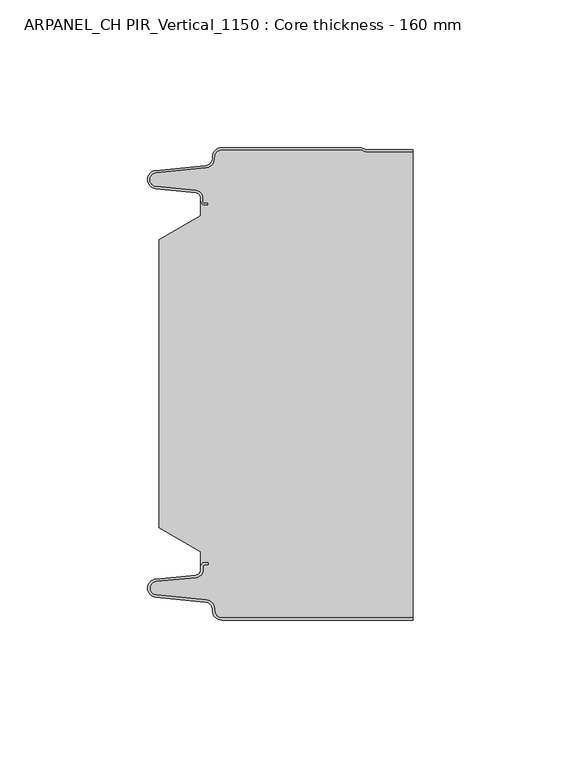
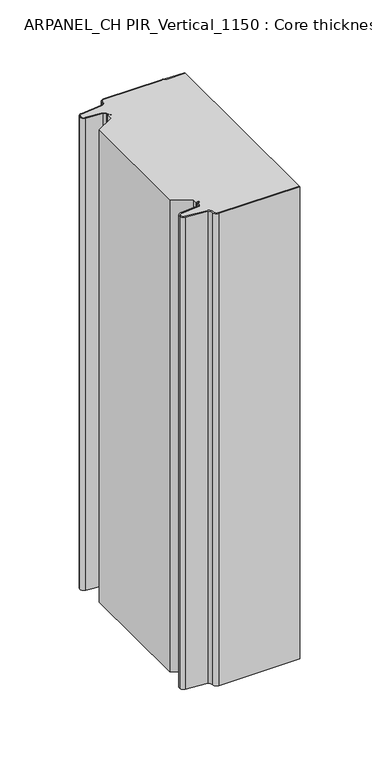
"""IFC4 building model written with IfcOpenShell, lengths in millimetres: plate geometry, ARPANEL_CH PIR_Vertical_1150 : Core thickness - 160 mm."""

from ifc_helpers import new_model, si_unit, frame, origin, place, context, project, spatial, polyline, circle_curve, source, transform, mapped, element, save
from ifc_brep_helpers import plane_surface, cylinder_surface, revolved_surface, advanced_brep


def arpanel_ch_pir_vertical_1150_core_thickness_160_mm_47b8c5db(model_context):
    return source(origin(), model_context, "Body", "AdvancedBrep", [
        advanced_brep(
        [(-19.8000003, -159.9996949, 0.0), (-22.9923632, -156.5787437, 0.0), (-25.2560431, -153.9171154, 0.0), (-42.2115315, -152.2546153, 0.0), (-44.9999998, -149.1776715, 0.0), (-42.2115315, -146.1007278, 0.0), (-28.6195785, -144.7680252, 0.0), (-26.9952277, -142.9766159, 0.0), (-26.9952277, -141.8996949, 0.0), (-25.5952277, -140.4996949, 0.0), (-24.4952277, -140.4996949, 0.0), (-24.4952277, -141.2996949, 0.0), (-25.5952277, -141.2996949, 0.0), (-26.1952277, -141.8996949, 0.0), (-26.1952277, -142.9766159, 0.0), (-28.5415122, -145.5642071, 0.0), (-42.1334652, -146.8969097, 0.0), (-44.1999997, -149.1776715, 0.0), (-42.1334652, -151.4584333, 0.0), (-25.1779767, -153.1209335, 0.0), (-22.2078761, -156.6330399, 0.0), (-19.8000003, -159.1996949, 0.0), (44.9999998, -159.2, 0.0), (44.9999998, -159.9996949, 0.0), (-19.8000003, -159.1996949, 400.0), (-22.1942724, -156.6339815, 400.0), (-25.1779767, -153.1209335, 400.0), (-42.1334652, -151.4584333, 400.0), (-44.1999997, -149.1776715, 400.0), (-42.1334652, -146.8969097, 400.0), (-28.5415122, -145.5642071, 400.0), (-26.1952277, -142.9766159, 400.0), (-26.1952277, -141.8996949, 400.0), (-25.5952277, -141.2996949, 400.0), (-24.4952277, -141.2996949, 400.0), (-24.4952277, -140.4996949, 400.0), (-25.5952277, -140.4996949, 400.0), (-26.9952277, -141.8996949, 400.0), (-26.9952277, -142.9766159, 400.0), (-28.6195785, -144.7680252, 400.0), (-42.2115315, -146.1007278, 400.0), (-44.9999998, -149.1776715, 400.0), (-42.2115315, -152.2546153, 400.0), (-25.2560431, -153.9171154, 400.0), (-23.0059668, -156.5778021, 400.0), (-19.8000003, -159.9996949, 400.0), (44.9999998, -159.9996949, 400.0), (44.9999998, -159.2, 400.0)],
        [
            (0, 1, circle_curve(frame((-19.8000003, -156.7996949, 0.0), z_axis=(0.0, 0.0, -1.0), x_axis=(1.0, 0.0, 0.0)), 3.2)),
            (1, 2, circle_curve(frame((-25.5000003, -156.4051839, 0.0), z_axis=(0.0, 0.0, 1.0), x_axis=(1.0, 0.0, 0.0)), 2.5)),
            (2, 3),
            (3, 4, circle_curve(frame((-41.9100003, -149.1793626, 0.0), z_axis=(0.0, 0.0, -1.0), x_axis=(1.0, 0.0, 0.0)), 3.09)),
            (4, 5, circle_curve(frame((-41.9100003, -149.1759805, 0.0), z_axis=(0.0, 0.0, -1.0), x_axis=(1.0, 0.0, 0.0)), 3.09)),
            (5, 6),
            (6, 7, circle_curve(frame((-28.7952277, -142.9766159, 0.0), z_axis=(0.0, 0.0, 1.0), x_axis=(1.0, 0.0, 0.0)), 1.8)),
            (7, 8),
            (8, 9, circle_curve(frame((-25.5952277, -141.8996949, 0.0), z_axis=(0.0, 0.0, -1.0), x_axis=(1.0, 0.0, 0.0)), 1.4)),
            (9, 10),
            (10, 11),
            (11, 12),
            (12, 13, circle_curve(frame((-25.5952277, -141.8996949, 0.0), z_axis=(0.0, 0.0, 1.0), x_axis=(1.0, 0.0, 0.0)), 0.6)),
            (13, 14),
            (14, 15, circle_curve(frame((-28.7952277, -142.9766159, 0.0), z_axis=(0.0, 0.0, -1.0), x_axis=(1.0, 0.0, 0.0)), 2.6)),
            (15, 16),
            (16, 17, circle_curve(frame((-41.9100003, -149.1759805, 0.0), z_axis=(0.0, 0.0, 1.0), x_axis=(1.0, 0.0, 0.0)), 2.29)),
            (17, 18, circle_curve(frame((-41.9100003, -149.1793626, 0.0), z_axis=(0.0, 0.0, 1.0), x_axis=(1.0, 0.0, 0.0)), 2.29)),
            (18, 19),
            (19, 20, circle_curve(frame((-25.5000003, -156.4051839, 0.0), z_axis=(0.0, 0.0, -1.0), x_axis=(1.0, 0.0, 0.0)), 3.3)),
            (20, 21, circle_curve(frame((-19.8000003, -156.7996949, 0.0), z_axis=(0.0, 0.0, 1.0), x_axis=(1.0, 0.0, 0.0)), 2.4)),
            (21, 22),
            (22, 23),
            (23, 0),
            (24, 25, circle_curve(frame((-19.8000003, -156.7996949, 400.0), z_axis=(0.0, 0.0, -1.0), x_axis=(1.0, 0.0, 0.0)), 2.4)),
            (25, 26, circle_curve(frame((-25.5000003, -156.4051839, 400.0), z_axis=(0.0, 0.0, 1.0), x_axis=(1.0, 0.0, 0.0)), 3.3)),
            (26, 27),
            (27, 28, circle_curve(frame((-41.9100003, -149.1793626, 400.0), z_axis=(0.0, 0.0, -1.0), x_axis=(1.0, 0.0, 0.0)), 2.29)),
            (28, 29, circle_curve(frame((-41.9100003, -149.1759805, 400.0), z_axis=(0.0, 0.0, -1.0), x_axis=(1.0, 0.0, 0.0)), 2.29)),
            (29, 30),
            (30, 31, circle_curve(frame((-28.7952277, -142.9766159, 400.0), z_axis=(0.0, 0.0, 1.0), x_axis=(1.0, 0.0, 0.0)), 2.6)),
            (31, 32),
            (32, 33, circle_curve(frame((-25.5952277, -141.8996949, 400.0), z_axis=(0.0, 0.0, -1.0), x_axis=(1.0, 0.0, 0.0)), 0.6)),
            (33, 34),
            (34, 35),
            (35, 36),
            (36, 37, circle_curve(frame((-25.5952277, -141.8996949, 400.0), z_axis=(0.0, 0.0, 1.0), x_axis=(1.0, 0.0, 0.0)), 1.4)),
            (37, 38),
            (38, 39, circle_curve(frame((-28.7952277, -142.9766159, 400.0), z_axis=(0.0, 0.0, -1.0), x_axis=(1.0, 0.0, 0.0)), 1.8)),
            (39, 40),
            (40, 41, circle_curve(frame((-41.9100003, -149.1759805, 400.0), z_axis=(0.0, 0.0, 1.0), x_axis=(1.0, 0.0, 0.0)), 3.09)),
            (41, 42, circle_curve(frame((-41.9100003, -149.1793626, 400.0), z_axis=(0.0, 0.0, 1.0), x_axis=(1.0, 0.0, 0.0)), 3.09)),
            (42, 43),
            (43, 44, circle_curve(frame((-25.5000003, -156.4051839, 400.0), z_axis=(0.0, 0.0, -1.0), x_axis=(1.0, 0.0, 0.0)), 2.5)),
            (44, 45, circle_curve(frame((-19.8000003, -156.7996949, 400.0), z_axis=(0.0, 0.0, 1.0), x_axis=(1.0, 0.0, 0.0)), 3.2)),
            (45, 46),
            (46, 47),
            (47, 24),
            (21, 24),
            (47, 22),
            (20, 25),
            (19, 26),
            (18, 27),
            (17, 28),
            (16, 29),
            (15, 30),
            (14, 31),
            (13, 32),
            (12, 33),
            (11, 34),
            (10, 35),
            (9, 36),
            (8, 37),
            (7, 38),
            (6, 39),
            (5, 40),
            (4, 41),
            (3, 42),
            (2, 43),
            (1, 44),
            (0, 45),
            (23, 46),
        ],
        [
            plane_surface(frame((-44.9999998, -160.0, 0.0), z_axis=(0.0, 0.0, -1.0), x_axis=(0.0, 1.0, 0.0))),
            plane_surface(frame((-44.9999998, -160.0, 400.0), z_axis=(0.0, 0.0, 1.0), x_axis=(0.0, 1.0, 0.0))),
            plane_surface(frame((-19.8000003, -159.2, 0.0), z_axis=(0.0, 1.0, 0.0), x_axis=(0.0, 0.0, 1.0))),
            revolved_surface(polyline([(-17.400000300000002, -156.7996949, 400.0), (-17.400000300000002, -156.7996949, 0.0)]), (-19.8000003, -156.7996949, 0.0), (0.0, 0.0, 1.0)),
            cylinder_surface(frame((-25.5000003, -156.4051839, 0.0), z_axis=(0.0, 0.0, -1.0), x_axis=(1.0, 0.0, 0.0)), 3.3),
            plane_surface(frame((-42.1334652, -151.4584333, 0.0), z_axis=(0.09758289975914758, 0.9952273999818314, 0.0), x_axis=(0.0, 0.0, 1.0))),
            revolved_surface(polyline([(-39.6200003, -149.1793626, 400.0), (-39.6200003, -149.1793626, 0.0)]), (-41.9100003, -149.1793626, 0.0), (0.0, 0.0, 1.0)),
            revolved_surface(polyline([(-39.6200003, -149.1759805, 400.0), (-39.6200003, -149.1759805, 0.0)]), (-41.9100003, -149.1759805, 0.0), (0.0, 0.0, 1.0)),
            plane_surface(frame((-28.5415122, -145.5642071, 0.0), z_axis=(0.09758289975914383, -0.9952273999818317, 0.0), x_axis=(0.0, 0.0, 1.0))),
            cylinder_surface(frame((-28.7952277, -142.9766159, 0.0), z_axis=(0.0, 0.0, -1.0), x_axis=(1.0, 0.0, 0.0)), 2.6),
            plane_surface(frame((-26.1952277, -141.8996949, 0.0), z_axis=(1.0, 0.0, 0.0), x_axis=(0.0, 0.0, 1.0))),
            revolved_surface(polyline([(-24.995227699999997, -141.8996949, 400.0), (-24.995227699999997, -141.8996949, 0.0)]), (-25.5952277, -141.8996949, 0.0), (0.0, 0.0, 1.0)),
            plane_surface(frame((-24.4952277, -141.2996949, 0.0), z_axis=(0.0, -1.0, 0.0), x_axis=(0.0, 0.0, 1.0))),
            plane_surface(frame((-24.4952277, -140.4996949, 0.0), z_axis=(1.0, 0.0, 0.0), x_axis=(0.0, 0.0, 1.0))),
            plane_surface(frame((-25.5952277, -140.4996949, 0.0), z_axis=(0.0, 1.0, 0.0), x_axis=(0.0, 0.0, 1.0))),
            cylinder_surface(frame((-25.5952277, -141.8996949, 0.0), z_axis=(0.0, 0.0, -1.0), x_axis=(1.0, 0.0, 0.0)), 1.4),
            plane_surface(frame((-26.9952277, -142.9766159, 0.0), z_axis=(-1.0, 0.0, 0.0), x_axis=(0.0, 0.0, 1.0))),
            revolved_surface(polyline([(-26.9952277, -142.9766159, 400.0), (-26.9952277, -142.9766159, 0.0)]), (-28.7952277, -142.9766159, 0.0), (0.0, 0.0, 1.0)),
            plane_surface(frame((-42.2115315, -146.1007278, 0.0), z_axis=(-0.09758289975914387, 0.9952273999818317, 0.0), x_axis=(0.0, 0.0, 1.0))),
            cylinder_surface(frame((-41.9100003, -149.1759805, 0.0), z_axis=(0.0, 0.0, -1.0), x_axis=(1.0, 0.0, 0.0)), 3.09),
            cylinder_surface(frame((-41.9100003, -149.1793626, 0.0), z_axis=(0.0, 0.0, -1.0), x_axis=(1.0, 0.0, 0.0)), 3.09),
            plane_surface(frame((-25.2560431, -153.9171154, 0.0), z_axis=(-0.09758289975914762, -0.9952273999818314, 0.0), x_axis=(0.0, 0.0, 1.0))),
            revolved_surface(polyline([(-23.0000003, -156.4051839, 400.0), (-23.0000003, -156.4051839, 0.0)]), (-25.5000003, -156.4051839, 0.0), (0.0, 0.0, 1.0)),
            cylinder_surface(frame((-19.8000003, -156.7996949, 0.0), z_axis=(0.0, 0.0, -1.0), x_axis=(1.0, 0.0, 0.0)), 3.2),
            plane_surface(frame((1121.009932, -159.9996949, 0.0), z_axis=(0.0, -1.0, 0.0), x_axis=(0.0, 0.0, 1.0))),
            plane_surface(frame((44.9999998, 180.0, 400.0), z_axis=(1.0, 0.0, 0.0), x_axis=(0.0, 0.0, -1.0))),
        ],
        [
            (0, [[1, 2, 3, 4, 5, 6, 7, 8, 9, 10, 11, 12, 13, 14, 15, 16, 17, 18, 19, 20, 21, 22, 23, 24]]),
            (1, [[25, 26, 27, 28, 29, 30, 31, 32, 33, 34, 35, 36, 37, 38, 39, 40, 41, 42, 43, 44, 45, 46, 47, 48]]),
            (2, [[49, -48, 50, -22]]),
            (3, [[-21, 51, -25, -49]]),
            (4, [[-20, 52, -26, -51]]),
            (5, [[-19, 53, -27, -52]]),
            (6, [[-18, 54, -28, -53]]),
            (7, [[-17, 55, -29, -54]]),
            (8, [[-16, 56, -30, -55]]),
            (9, [[-15, 57, -31, -56]]),
            (10, [[-14, 58, -32, -57]]),
            (11, [[-13, 59, -33, -58]]),
            (12, [[-12, 60, -34, -59]]),
            (13, [[-11, 61, -35, -60]]),
            (14, [[-10, 62, -36, -61]]),
            (15, [[-9, 63, -37, -62]]),
            (16, [[-8, 64, -38, -63]]),
            (17, [[-7, 65, -39, -64]]),
            (18, [[-6, 66, -40, -65]]),
            (19, [[-5, 67, -41, -66]]),
            (20, [[-4, 68, -42, -67]]),
            (21, [[-3, 69, -43, -68]]),
            (22, [[-2, 70, -44, -69]]),
            (23, [[-1, 71, -45, -70]]),
            (24, [[-71, -24, 72, -46]]),
            (25, [[-23, -50, -47, -72]]),
        ],
    ),
        advanced_brep(
        [(-26.9952277, -23.1062917, 400.0), (-41.0446509, -31.1628062, 400.0), (-41.0446509, -128.7531937, 400.0), (-26.9952277, -136.8937083, 400.0), (-26.9952277, -140.4996949, 400.0), (-26.9952277, -141.8996949, 400.0), (-25.5952277, -140.4996949, 400.0), (-24.4952277, -140.4996949, 400.0), (-24.4952277, -141.2996949, 400.0), (-25.5952277, -141.2996949, 400.0), (-26.1952277, -141.8996949, 400.0), (-26.1952277, -142.9766159, 400.0), (-28.5415122, -145.5642071, 400.0), (-42.1334652, -146.8969097, 400.0), (-44.1999997, -149.1776715, 400.0), (-42.1334652, -151.4584333, 400.0), (-25.1779767, -153.1209335, 400.0), (-22.2078761, -156.6330399, 400.0), (-19.8000003, -159.1996949, 400.0), (44.9999998, -159.2, 400.0), (44.9999998, -1.5003051, 400.0), (29.4172165, -1.5003051, 400.0), (27.9978051, -1.0971009, 400.0), (26.9454197, -0.8, 400.0), (-19.8000003, -0.8, 400.0), (-22.1942724, -3.3660185, 400.0), (-25.1779767, -6.8790665, 400.0), (-42.1334652, -8.5415667, 400.0), (-44.1999997, -10.8223285, 400.0), (-42.1334652, -13.1030903, 400.0), (-28.5415122, -14.4357929, 400.0), (-26.1952277, -17.0233841, 400.0), (-26.1952277, -18.1003051, 400.0), (-25.5952277, -18.7003051, 400.0), (-24.4952277, -18.7003051, 400.0), (-24.4952277, -19.5003051, 400.0), (-25.5952277, -19.5003051, 400.0), (-26.9952277, -18.1003051, 400.0), (-26.9952277, -19.5003051, 400.0), (-26.9952277, -136.8937083, 0.0), (-41.0446509, -128.7531937, 0.0), (-41.0446509, -31.1628062, 0.0), (-26.9952277, -23.1062917, 0.0), (-26.9952277, -19.5003051, 0.0), (-26.9952277, -18.1003051, 0.0), (-25.5952277, -19.5003051, 0.0), (-24.4952277, -19.5003051, 0.0), (-24.4952277, -18.7003051, 0.0), (-25.5952277, -18.7003051, 0.0), (-26.1952277, -18.1003051, 0.0), (-26.1952277, -17.0233841, 0.0), (-28.5415122, -14.4357929, 0.0), (-42.1334652, -13.1030903, 0.0), (-44.1999997, -10.8223285, 0.0), (-42.1334652, -8.5415667, 0.0), (-25.1779767, -6.8790665, 0.0), (-22.2078761, -3.3669601, 0.0), (-19.8000003, -0.8003051, 0.0), (26.9454197, -0.8, 0.0), (27.9968355, -1.0986697, 0.0), (29.4172165, -1.5003051, 0.0), (44.9999998, -1.5003051, 0.0), (44.9999998, -159.2, 0.0), (-19.8000003, -159.2, 0.0), (-22.1942724, -156.6339815, 0.0), (-25.1779767, -153.1209335, 0.0), (-42.1334652, -151.4584333, 0.0), (-44.1999997, -149.1776715, 0.0), (-42.1334652, -146.8969097, 0.0), (-28.5415122, -145.5642071, 0.0), (-26.1952277, -142.9766159, 0.0), (-26.1952277, -141.8996949, 0.0), (-25.5952277, -141.2996949, 0.0), (-24.4952277, -141.2996949, 0.0), (-24.4952277, -140.4996949, 0.0), (-25.5952277, -140.4996949, 0.0), (-26.9952277, -141.8996949, 0.0), (-26.9952277, -140.4996949, 0.0)],
        [
            (0, 1),
            (1, 2),
            (2, 3),
            (3, 4),
            (4, 5),
            (5, 6, circle_curve(frame((-25.5952277, -141.8996949, 400.0), z_axis=(0.0, 0.0, -1.0), x_axis=(1.0, 0.0, 0.0)), 1.4)),
            (6, 7),
            (7, 8),
            (8, 9),
            (9, 10, circle_curve(frame((-25.5952277, -141.8996949, 400.0), z_axis=(0.0, 0.0, 1.0), x_axis=(1.0, 0.0, 0.0)), 0.6)),
            (10, 11),
            (11, 12, circle_curve(frame((-28.7952277, -142.9766159, 400.0), z_axis=(0.0, 0.0, -1.0), x_axis=(1.0, 0.0, 0.0)), 2.6)),
            (12, 13),
            (13, 14, circle_curve(frame((-41.9100003, -149.1759805, 400.0), z_axis=(0.0, 0.0, 1.0), x_axis=(1.0, 0.0, 0.0)), 2.29)),
            (14, 15, circle_curve(frame((-41.9100003, -149.1793626, 400.0), z_axis=(0.0, 0.0, 1.0), x_axis=(1.0, 0.0, 0.0)), 2.29)),
            (15, 16),
            (16, 17, circle_curve(frame((-25.5000003, -156.4051839, 400.0), z_axis=(0.0, 0.0, -1.0), x_axis=(1.0, 0.0, 0.0)), 3.3)),
            (17, 18, circle_curve(frame((-19.8000003, -156.7996949, 400.0), z_axis=(0.0, 0.0, 1.0), x_axis=(1.0, 0.0, 0.0)), 2.4)),
            (18, 19),
            (19, 20),
            (20, 21),
            (21, 22, circle_curve(frame((29.4172165, 1.1996949, 400.0), z_axis=(0.0, 0.0, -1.0), x_axis=(1.0, 0.0, 0.0)), 2.7)),
            (22, 23, circle_curve(frame((26.9454197, -2.8, 400.0), z_axis=(0.0, 0.0, 1.0), x_axis=(1.0, 0.0, 0.0)), 2.0)),
            (23, 24),
            (24, 25, circle_curve(frame((-19.8000003, -3.2003051, 400.0), z_axis=(0.0, 0.0, 1.0), x_axis=(1.0, 0.0, 0.0)), 2.4)),
            (25, 26, circle_curve(frame((-25.5000003, -3.5948161, 400.0), z_axis=(0.0, 0.0, -1.0), x_axis=(1.0, 0.0, 0.0)), 3.3)),
            (26, 27),
            (27, 28, circle_curve(frame((-41.9100003, -10.8206374, 400.0), z_axis=(0.0, 0.0, 1.0), x_axis=(1.0, 0.0, 0.0)), 2.29)),
            (28, 29, circle_curve(frame((-41.9100003, -10.8240195, 400.0), z_axis=(0.0, 0.0, 1.0), x_axis=(1.0, 0.0, 0.0)), 2.29)),
            (29, 30),
            (30, 31, circle_curve(frame((-28.7952277, -17.0233841, 400.0), z_axis=(0.0, 0.0, -1.0), x_axis=(1.0, 0.0, 0.0)), 2.6)),
            (31, 32),
            (32, 33, circle_curve(frame((-25.5952277, -18.1003051, 400.0), z_axis=(0.0, 0.0, 1.0), x_axis=(1.0, 0.0, 0.0)), 0.6)),
            (33, 34),
            (34, 35),
            (35, 36),
            (36, 37, circle_curve(frame((-25.5952277, -18.1003051, 400.0), z_axis=(0.0, 0.0, -1.0), x_axis=(1.0, 0.0, 0.0)), 1.4)),
            (37, 38),
            (38, 0),
            (39, 40),
            (40, 41),
            (41, 42),
            (42, 43),
            (43, 44),
            (44, 45, circle_curve(frame((-25.5952277, -18.1003051, 0.0), z_axis=(0.0, 0.0, 1.0), x_axis=(1.0, 0.0, 0.0)), 1.4)),
            (45, 46),
            (46, 47),
            (47, 48),
            (48, 49, circle_curve(frame((-25.5952277, -18.1003051, 0.0), z_axis=(0.0, 0.0, -1.0), x_axis=(1.0, 0.0, 0.0)), 0.6)),
            (49, 50),
            (50, 51, circle_curve(frame((-28.7952277, -17.0233841, 0.0), z_axis=(0.0, 0.0, 1.0), x_axis=(1.0, 0.0, 0.0)), 2.6)),
            (51, 52),
            (52, 53, circle_curve(frame((-41.9100003, -10.8240195, 0.0), z_axis=(0.0, 0.0, -1.0), x_axis=(1.0, 0.0, 0.0)), 2.29)),
            (53, 54, circle_curve(frame((-41.9100003, -10.8206374, 0.0), z_axis=(0.0, 0.0, -1.0), x_axis=(1.0, 0.0, 0.0)), 2.29)),
            (54, 55),
            (55, 56, circle_curve(frame((-25.5000003, -3.5948161, 0.0), z_axis=(0.0, 0.0, 1.0), x_axis=(1.0, 0.0, 0.0)), 3.3)),
            (56, 57, circle_curve(frame((-19.8000003, -3.2003051, 0.0), z_axis=(0.0, 0.0, -1.0), x_axis=(1.0, 0.0, 0.0)), 2.4)),
            (57, 58),
            (58, 59, circle_curve(frame((26.9454197, -2.8, 0.0), z_axis=(0.0, 0.0, -1.0), x_axis=(1.0, 0.0, 0.0)), 2.0)),
            (59, 60, circle_curve(frame((29.4172165, 1.1996949, 0.0), z_axis=(0.0, 0.0, 1.0), x_axis=(1.0, 0.0, 0.0)), 2.7)),
            (60, 61),
            (61, 62),
            (62, 63),
            (63, 64, circle_curve(frame((-19.8000003, -156.7996949, 0.0), z_axis=(0.0, 0.0, -1.0), x_axis=(1.0, 0.0, 0.0)), 2.4)),
            (64, 65, circle_curve(frame((-25.5000003, -156.4051839, 0.0), z_axis=(0.0, 0.0, 1.0), x_axis=(1.0, 0.0, 0.0)), 3.3)),
            (65, 66),
            (66, 67, circle_curve(frame((-41.9100003, -149.1793626, 0.0), z_axis=(0.0, 0.0, -1.0), x_axis=(1.0, 0.0, 0.0)), 2.29)),
            (67, 68, circle_curve(frame((-41.9100003, -149.1759805, 0.0), z_axis=(0.0, 0.0, -1.0), x_axis=(1.0, 0.0, 0.0)), 2.29)),
            (68, 69),
            (69, 70, circle_curve(frame((-28.7952277, -142.9766159, 0.0), z_axis=(0.0, 0.0, 1.0), x_axis=(1.0, 0.0, 0.0)), 2.6)),
            (70, 71),
            (71, 72, circle_curve(frame((-25.5952277, -141.8996949, 0.0), z_axis=(0.0, 0.0, -1.0), x_axis=(1.0, 0.0, 0.0)), 0.6)),
            (72, 73),
            (73, 74),
            (74, 75),
            (75, 76, circle_curve(frame((-25.5952277, -141.8996949, 0.0), z_axis=(0.0, 0.0, 1.0), x_axis=(1.0, 0.0, 0.0)), 1.4)),
            (76, 77),
            (77, 39),
            (42, 0),
            (37, 44),
            (1, 41),
            (40, 2),
            (39, 3),
            (76, 5),
            (18, 63),
            (62, 19),
            (17, 64),
            (16, 65),
            (15, 66),
            (14, 67),
            (13, 68),
            (12, 69),
            (11, 70),
            (10, 71),
            (9, 72),
            (8, 73),
            (7, 74),
            (6, 75),
            (57, 24),
            (23, 58),
            (22, 59),
            (21, 60),
            (20, 61),
            (36, 45),
            (35, 46),
            (34, 47),
            (33, 48),
            (32, 49),
            (31, 50),
            (30, 51),
            (29, 52),
            (28, 53),
            (27, 54),
            (26, 55),
            (25, 56),
        ],
        [
            plane_surface(frame((-44.9999998, 0.0, 400.0), z_axis=(0.0, 0.0, 1.0), x_axis=(0.0, -1.0, 0.0))),
            plane_surface(frame((-44.9999998, 0.0, 0.0), z_axis=(0.0, 0.0, -1.0), x_axis=(0.0, -1.0, 0.0))),
            plane_surface(frame((-26.9952277, -17.0229218, 400.0), z_axis=(-1.0, 0.0, 0.0), x_axis=(0.0, 0.0, -1.0))),
            plane_surface(frame((-41.0446509, -31.1628062, 400.0), z_axis=(-1.0, 0.0, 0.0), x_axis=(0.0, 0.0, -1.0))),
            plane_surface(frame((-26.9952277, -23.1062917, 400.0), z_axis=(-0.4974543664933155, 0.8674901459133322, 0.0), x_axis=(0.0, 0.0, -1.0))),
            plane_surface(frame((-41.0446509, -128.7531937, 400.0), z_axis=(-0.5013424225369615, -0.8652489672717159, 0.0), x_axis=(0.0, 0.0, -1.0))),
            plane_surface(frame((-26.9952277, -136.8937083, 400.0), z_axis=(-1.0, 0.0, 0.0), x_axis=(0.0, 0.0, -1.0))),
            plane_surface(frame((1121.009932, -159.2, 530.0), z_axis=(0.0, -1.0, 0.0), x_axis=(0.0, 0.0, -1.0))),
            cylinder_surface(frame((-19.8000003, -156.7996949, 530.0), z_axis=(0.0, 0.0, -1.0), x_axis=(1.0, 0.0, 0.0)), 2.4),
            revolved_surface(polyline([(-22.2000003, -156.4051839, 400.0), (-22.2000003, -156.4051839, 0.0)]), (-25.5000003, -156.4051839, 530.0), (0.0, 0.0, 1.0)),
            plane_surface(frame((-25.1779767, -153.1209335, 530.0), z_axis=(-0.09758289975914758, -0.9952273999818314, 0.0), x_axis=(0.0, 0.0, -1.0))),
            cylinder_surface(frame((-41.9100003, -149.1793626, 530.0), z_axis=(0.0, 0.0, -1.0), x_axis=(1.0, 0.0, 0.0)), 2.29),
            cylinder_surface(frame((-41.9100003, -149.1759805, 530.0), z_axis=(0.0, 0.0, -1.0), x_axis=(1.0, 0.0, 0.0)), 2.29),
            plane_surface(frame((-42.1334652, -146.8969097, 530.0), z_axis=(-0.09758289975914383, 0.9952273999818317, 0.0), x_axis=(0.0, 0.0, -1.0))),
            revolved_surface(polyline([(-26.1952277, -142.9766159, 400.0), (-26.1952277, -142.9766159, 0.0)]), (-28.7952277, -142.9766159, 530.0), (0.0, 0.0, 1.0)),
            plane_surface(frame((-26.1952277, -142.9766159, 530.0), z_axis=(-1.0, 0.0, 0.0), x_axis=(0.0, 0.0, -1.0))),
            cylinder_surface(frame((-25.5952277, -141.8996949, 530.0), z_axis=(0.0, 0.0, -1.0), x_axis=(1.0, 0.0, 0.0)), 0.6),
            plane_surface(frame((-25.5952277, -141.2996949, 530.0), z_axis=(0.0, 1.0, 0.0), x_axis=(0.0, 0.0, -1.0))),
            plane_surface(frame((-24.4952277, -141.2996949, 530.0), z_axis=(-1.0, 0.0, 0.0), x_axis=(0.0, 0.0, -1.0))),
            plane_surface(frame((-24.4952277, -140.4996949, 530.0), z_axis=(0.0, -1.0, 0.0), x_axis=(0.0, 0.0, -1.0))),
            revolved_surface(polyline([(-24.1952277, -141.8996949, 400.0), (-24.1952277, -141.8996949, 0.0)]), (-25.5952277, -141.8996949, 530.0), (0.0, 0.0, 1.0)),
            plane_surface(frame((-19.8000003, -0.8, 530.0), z_axis=(0.0, 1.0, 0.0), x_axis=(0.0, 0.0, -1.0))),
            cylinder_surface(frame((26.9454197, -2.8, 530.0), z_axis=(0.0, 0.0, -1.0), x_axis=(1.0, 0.0, 0.0)), 2.0),
            revolved_surface(polyline([(32.1172165, 1.1996949, 400.0), (32.1172165, 1.1996949, 0.0)]), (29.4172165, 1.1996949, 530.0), (0.0, 0.0, 1.0)),
            plane_surface(frame((29.4172165, -1.5003051, 530.0), z_axis=(0.0, 1.0, 0.0), x_axis=(0.0, 0.0, -1.0))),
            revolved_surface(polyline([(-24.1952277, -18.1003051, 400.0), (-24.1952277, -18.1003051, 0.0)]), (-25.5952277, -18.1003051, 530.0), (0.0, 0.0, 1.0)),
            plane_surface(frame((-25.5952277, -19.5003051, 530.0), z_axis=(0.0, 1.0, 0.0), x_axis=(0.0, 0.0, -1.0))),
            plane_surface(frame((-24.4952277, -19.5003051, 530.0), z_axis=(-1.0, 0.0, 0.0), x_axis=(0.0, 0.0, -1.0))),
            plane_surface(frame((-24.4952277, -18.7003051, 530.0), z_axis=(0.0, -1.0, 0.0), x_axis=(0.0, 0.0, -1.0))),
            cylinder_surface(frame((-25.5952277, -18.1003051, 530.0), z_axis=(0.0, 0.0, -1.0), x_axis=(1.0, 0.0, 0.0)), 0.6),
            plane_surface(frame((-26.1952277, -18.1003051, 530.0), z_axis=(-1.0, 0.0, 0.0), x_axis=(0.0, 0.0, -1.0))),
            revolved_surface(polyline([(-26.1952277, -17.0233841, 400.0), (-26.1952277, -17.0233841, 0.0)]), (-28.7952277, -17.0233841, 530.0), (0.0, 0.0, 1.0)),
            plane_surface(frame((-28.5415122, -14.4357929, 530.0), z_axis=(-0.09758289975914705, -0.9952273999818314, 0.0), x_axis=(0.0, 0.0, -1.0))),
            cylinder_surface(frame((-41.9100003, -10.8240195, 530.0), z_axis=(0.0, 0.0, -1.0), x_axis=(1.0, 0.0, 0.0)), 2.29),
            cylinder_surface(frame((-41.9100003, -10.8206374, 530.0), z_axis=(0.0, 0.0, -1.0), x_axis=(1.0, 0.0, 0.0)), 2.29),
            plane_surface(frame((-42.1334652, -8.5415667, 530.0), z_axis=(-0.09758289975914436, 0.9952273999818317, 0.0), x_axis=(0.0, 0.0, -1.0))),
            revolved_surface(polyline([(-22.2000003, -3.5948161, 400.0), (-22.2000003, -3.5948161, 0.0)]), (-25.5000003, -3.5948161, 530.0), (0.0, 0.0, 1.0)),
            cylinder_surface(frame((-19.8000003, -3.2003051, 530.0), z_axis=(0.0, 0.0, -1.0), x_axis=(1.0, 0.0, 0.0)), 2.4),
            plane_surface(frame((44.9999998, 180.0, 400.0), z_axis=(1.0, 0.0, 0.0), x_axis=(0.0, 0.0, -1.0))),
        ],
        [
            (0, [[1, 2, 3, 4, 5, 6, 7, 8, 9, 10, 11, 12, 13, 14, 15, 16, 17, 18, 19, 20, 21, 22, 23, 24, 25, 26, 27, 28, 29, 30, 31, 32, 33, 34, 35, 36, 37, 38, 39]]),
            (1, [[40, 41, 42, 43, 44, 45, 46, 47, 48, 49, 50, 51, 52, 53, 54, 55, 56, 57, 58, 59, 60, 61, 62, 63, 64, 65, 66, 67, 68, 69, 70, 71, 72, 73, 74, 75, 76, 77, 78]]),
            (2, [[79, -39, -38, 80, -44, -43]]),
            (3, [[-2, 81, -41, 82]]),
            (4, [[-1, -79, -42, -81]]),
            (5, [[-3, -82, -40, 83]]),
            (6, [[-83, -78, -77, 84, -5, -4]]),
            (7, [[85, -63, 86, -19]]),
            (8, [[-85, -18, 87, -64]]),
            (9, [[-87, -17, 88, -65]]),
            (10, [[-88, -16, 89, -66]]),
            (11, [[-89, -15, 90, -67]]),
            (12, [[-90, -14, 91, -68]]),
            (13, [[-91, -13, 92, -69]]),
            (14, [[-92, -12, 93, -70]]),
            (15, [[-93, -11, 94, -71]]),
            (16, [[-94, -10, 95, -72]]),
            (17, [[-95, -9, 96, -73]]),
            (18, [[-96, -8, 97, -74]]),
            (19, [[-97, -7, 98, -75]]),
            (20, [[-98, -6, -84, -76]]),
            (21, [[99, -24, 100, -58]]),
            (22, [[-100, -23, 101, -59]]),
            (23, [[-101, -22, 102, -60]]),
            (24, [[-102, -21, 103, -61]]),
            (25, [[104, -45, -80, -37]]),
            (26, [[-104, -36, 105, -46]]),
            (27, [[-105, -35, 106, -47]]),
            (28, [[-106, -34, 107, -48]]),
            (29, [[-107, -33, 108, -49]]),
            (30, [[-108, -32, 109, -50]]),
            (31, [[-109, -31, 110, -51]]),
            (32, [[-110, -30, 111, -52]]),
            (33, [[-111, -29, 112, -53]]),
            (34, [[-112, -28, 113, -54]]),
            (35, [[-113, -27, 114, -55]]),
            (36, [[-114, -26, 115, -56]]),
            (37, [[-99, -57, -115, -25]]),
            (38, [[-86, -62, -103, -20]]),
        ],
    ),
        advanced_brep(
        [(27.9968355, -1.0986697, 0.0), (26.9454197, -0.8, 0.0), (-19.8000003, -0.8, 0.0), (-22.1942724, -3.3660185, 0.0), (-25.1779767, -6.8790665, 0.0), (-42.1334652, -8.5415667, 0.0), (-44.1999997, -10.8223285, 0.0), (-42.1334652, -13.1030903, 0.0), (-28.5415122, -14.4357929, 0.0), (-26.1952277, -17.0233841, 0.0), (-26.1952277, -18.1003051, 0.0), (-25.5952277, -18.7003051, 0.0), (-24.4952277, -18.7003051, 0.0), (-24.4952277, -19.5003051, 0.0), (-25.5952277, -19.5003051, 0.0), (-26.9952277, -18.1003051, 0.0), (-26.9952277, -17.0233841, 0.0), (-28.6195785, -15.2319748, 0.0), (-42.2115315, -13.8992722, 0.0), (-44.9999998, -10.8223285, 0.0), (-42.2115315, -7.7453847, 0.0), (-25.2560431, -6.0828846, 0.0), (-23.0059668, -3.4221979, 0.0), (-19.8000003, -0.0003051, 0.0), (26.9454197, -0.0003051, 0.0), (28.3647528, -0.4034608, 0.0), (29.4172165, -0.7003051, 0.0), (44.9999998, -0.7003051, 0.0), (44.9999998, -1.5003051, 0.0), (29.4172165, -1.5003051, 0.0), (27.9978051, -1.0971009, 400.0), (29.4172165, -1.5003051, 400.0), (44.9999998, -1.5003051, 400.0), (44.9999998, -0.7003051, 400.0), (29.4172165, -0.7003051, 400.0), (28.3658586, -0.4016712, 400.0), (26.9454197, -0.0003051, 400.0), (-19.8000003, -0.0003051, 400.0), (-22.9923632, -3.4212563, 400.0), (-25.2560431, -6.0828846, 400.0), (-42.2115315, -7.7453847, 400.0), (-44.9999998, -10.8223285, 400.0), (-42.2115315, -13.8992722, 400.0), (-28.6195785, -15.2319748, 400.0), (-26.9952277, -17.0233841, 400.0), (-26.9952277, -18.1003051, 400.0), (-25.5952277, -19.5003051, 400.0), (-24.4952277, -19.5003051, 400.0), (-24.4952277, -18.7003051, 400.0), (-25.5952277, -18.7003051, 400.0), (-26.1952277, -18.1003051, 400.0), (-26.1952277, -17.0233841, 400.0), (-28.5415122, -14.4357929, 400.0), (-42.1334652, -13.1030903, 400.0), (-44.1999997, -10.8223285, 400.0), (-42.1334652, -8.5415667, 400.0), (-25.1779767, -6.8790665, 400.0), (-22.2078761, -3.3669601, 400.0), (-19.8000003, -0.8003051, 400.0), (26.9454197, -0.8, 400.0)],
        [
            (0, 1, circle_curve(frame((26.9454197, -2.8, 0.0), z_axis=(0.0, 0.0, 1.0), x_axis=(1.0, 0.0, 0.0)), 2.0)),
            (1, 2),
            (2, 3, circle_curve(frame((-19.8000003, -3.2003051, 0.0), z_axis=(0.0, 0.0, 1.0), x_axis=(1.0, 0.0, 0.0)), 2.4)),
            (3, 4, circle_curve(frame((-25.5000003, -3.5948161, 0.0), z_axis=(0.0, 0.0, -1.0), x_axis=(1.0, 0.0, 0.0)), 3.3)),
            (4, 5),
            (5, 6, circle_curve(frame((-41.9100003, -10.8206374, 0.0), z_axis=(0.0, 0.0, 1.0), x_axis=(1.0, 0.0, 0.0)), 2.29)),
            (6, 7, circle_curve(frame((-41.9100003, -10.8240195, 0.0), z_axis=(0.0, 0.0, 1.0), x_axis=(1.0, 0.0, 0.0)), 2.29)),
            (7, 8),
            (8, 9, circle_curve(frame((-28.7952277, -17.0233841, 0.0), z_axis=(0.0, 0.0, -1.0), x_axis=(1.0, 0.0, 0.0)), 2.6)),
            (9, 10),
            (10, 11, circle_curve(frame((-25.5952277, -18.1003051, 0.0), z_axis=(0.0, 0.0, 1.0), x_axis=(1.0, 0.0, 0.0)), 0.6)),
            (11, 12),
            (12, 13),
            (13, 14),
            (14, 15, circle_curve(frame((-25.5952277, -18.1003051, 0.0), z_axis=(0.0, 0.0, -1.0), x_axis=(1.0, 0.0, 0.0)), 1.4)),
            (15, 16),
            (16, 17, circle_curve(frame((-28.7952277, -17.0233841, 0.0), z_axis=(0.0, 0.0, 1.0), x_axis=(1.0, 0.0, 0.0)), 1.8)),
            (17, 18),
            (18, 19, circle_curve(frame((-41.9100003, -10.8240195, 0.0), z_axis=(0.0, 0.0, -1.0), x_axis=(1.0, 0.0, 0.0)), 3.09)),
            (19, 20, circle_curve(frame((-41.9100003, -10.8206374, 0.0), z_axis=(0.0, 0.0, -1.0), x_axis=(1.0, 0.0, 0.0)), 3.09)),
            (20, 21),
            (21, 22, circle_curve(frame((-25.5000003, -3.5948161, 0.0), z_axis=(0.0, 0.0, 1.0), x_axis=(1.0, 0.0, 0.0)), 2.5)),
            (22, 23, circle_curve(frame((-19.8000003, -3.2003051, 0.0), z_axis=(0.0, 0.0, -1.0), x_axis=(1.0, 0.0, 0.0)), 3.2)),
            (23, 24),
            (24, 25, circle_curve(frame((26.9454197, -2.7003051, 0.0), z_axis=(0.0, 0.0, -1.0), x_axis=(1.0, 0.0, 0.0)), 2.7)),
            (25, 26, circle_curve(frame((29.4172165, 1.2996949, 0.0), z_axis=(0.0, 0.0, 1.0), x_axis=(1.0, 0.0, 0.0)), 2.0)),
            (26, 27),
            (27, 28),
            (28, 29),
            (29, 0, circle_curve(frame((29.4172165, 1.1996949, 0.0), z_axis=(0.0, 0.0, -1.0), x_axis=(1.0, 0.0, 0.0)), 2.7)),
            (30, 31, circle_curve(frame((29.4172165, 1.1996949, 400.0), z_axis=(0.0, 0.0, 1.0), x_axis=(1.0, 0.0, 0.0)), 2.7)),
            (31, 32),
            (32, 33),
            (33, 34),
            (34, 35, circle_curve(frame((29.4172165, 1.2996949, 400.0), z_axis=(0.0, 0.0, -1.0), x_axis=(1.0, 0.0, 0.0)), 2.0)),
            (35, 36, circle_curve(frame((26.9454197, -2.7003051, 400.0), z_axis=(0.0, 0.0, 1.0), x_axis=(1.0, 0.0, 0.0)), 2.7)),
            (36, 37),
            (37, 38, circle_curve(frame((-19.8000003, -3.2003051, 400.0), z_axis=(0.0, 0.0, 1.0), x_axis=(1.0, 0.0, 0.0)), 3.2)),
            (38, 39, circle_curve(frame((-25.5000003, -3.5948161, 400.0), z_axis=(0.0, 0.0, -1.0), x_axis=(1.0, 0.0, 0.0)), 2.5)),
            (39, 40),
            (40, 41, circle_curve(frame((-41.9100003, -10.8206374, 400.0), z_axis=(0.0, 0.0, 1.0), x_axis=(1.0, 0.0, 0.0)), 3.09)),
            (41, 42, circle_curve(frame((-41.9100003, -10.8240195, 400.0), z_axis=(0.0, 0.0, 1.0), x_axis=(1.0, 0.0, 0.0)), 3.09)),
            (42, 43),
            (43, 44, circle_curve(frame((-28.7952277, -17.0233841, 400.0), z_axis=(0.0, 0.0, -1.0), x_axis=(1.0, 0.0, 0.0)), 1.8)),
            (44, 45),
            (45, 46, circle_curve(frame((-25.5952277, -18.1003051, 400.0), z_axis=(0.0, 0.0, 1.0), x_axis=(1.0, 0.0, 0.0)), 1.4)),
            (46, 47),
            (47, 48),
            (48, 49),
            (49, 50, circle_curve(frame((-25.5952277, -18.1003051, 400.0), z_axis=(0.0, 0.0, -1.0), x_axis=(1.0, 0.0, 0.0)), 0.6)),
            (50, 51),
            (51, 52, circle_curve(frame((-28.7952277, -17.0233841, 400.0), z_axis=(0.0, 0.0, 1.0), x_axis=(1.0, 0.0, 0.0)), 2.6)),
            (52, 53),
            (53, 54, circle_curve(frame((-41.9100003, -10.8240195, 400.0), z_axis=(0.0, 0.0, -1.0), x_axis=(1.0, 0.0, 0.0)), 2.29)),
            (54, 55, circle_curve(frame((-41.9100003, -10.8206374, 400.0), z_axis=(0.0, 0.0, -1.0), x_axis=(1.0, 0.0, 0.0)), 2.29)),
            (55, 56),
            (56, 57, circle_curve(frame((-25.5000003, -3.5948161, 400.0), z_axis=(0.0, 0.0, 1.0), x_axis=(1.0, 0.0, 0.0)), 3.3)),
            (57, 58, circle_curve(frame((-19.8000003, -3.2003051, 400.0), z_axis=(0.0, 0.0, -1.0), x_axis=(1.0, 0.0, 0.0)), 2.4)),
            (58, 59),
            (59, 30, circle_curve(frame((26.9454197, -2.8, 400.0), z_axis=(0.0, 0.0, -1.0), x_axis=(1.0, 0.0, 0.0)), 2.0)),
            (0, 30),
            (59, 1),
            (58, 2),
            (57, 3),
            (56, 4),
            (55, 5),
            (54, 6),
            (53, 7),
            (52, 8),
            (51, 9),
            (50, 10),
            (49, 11),
            (48, 12),
            (47, 13),
            (46, 14),
            (45, 15),
            (44, 16),
            (43, 17),
            (42, 18),
            (41, 19),
            (40, 20),
            (39, 21),
            (38, 22),
            (37, 23),
            (36, 24),
            (35, 25),
            (34, 26),
            (33, 27),
            (31, 29),
            (28, 32),
        ],
        [
            plane_surface(frame((-44.9999998, 0.0, 0.0), z_axis=(0.0, 0.0, -1.0), x_axis=(0.0, -1.0, 0.0))),
            plane_surface(frame((-44.9999998, 0.0, 400.0), z_axis=(0.0, 0.0, 1.0), x_axis=(0.0, -1.0, 0.0))),
            revolved_surface(polyline([(28.9454197, -2.8, 400.0), (28.9454197, -2.8, 0.0)]), (26.9454197, -2.8, 0.0), (0.0, 0.0, 1.0)),
            plane_surface(frame((26.9454197, -0.8, 0.0), z_axis=(0.0, -1.0, 0.0), x_axis=(0.0, 0.0, 1.0))),
            revolved_surface(polyline([(-17.400000300000002, -3.2003051, 400.0), (-17.400000300000002, -3.2003051, 0.0)]), (-19.8000003, -3.2003051, 0.0), (0.0, 0.0, 1.0)),
            cylinder_surface(frame((-25.5000003, -3.5948161, 0.0), z_axis=(0.0, 0.0, -1.0), x_axis=(1.0, 0.0, 0.0)), 3.3),
            plane_surface(frame((-25.1779767, -6.8790665, 0.0), z_axis=(0.09758289975914113, -0.9952273999818321, 0.0), x_axis=(0.0, 0.0, 1.0))),
            revolved_surface(polyline([(-39.6200003, -10.8206374, 400.0), (-39.6200003, -10.8206374, 0.0)]), (-41.9100003, -10.8206374, 0.0), (0.0, 0.0, 1.0)),
            revolved_surface(polyline([(-39.6200003, -10.8240195, 400.0), (-39.6200003, -10.8240195, 0.0)]), (-41.9100003, -10.8240195, 0.0), (0.0, 0.0, 1.0)),
            plane_surface(frame((-42.1334652, -13.1030903, 0.0), z_axis=(0.0975828997591503, 0.9952273999818312, 0.0), x_axis=(0.0, 0.0, 1.0))),
            cylinder_surface(frame((-28.7952277, -17.0233841, 0.0), z_axis=(0.0, 0.0, -1.0), x_axis=(1.0, 0.0, 0.0)), 2.6),
            plane_surface(frame((-26.1952277, -17.0233841, 0.0), z_axis=(1.0, 0.0, 0.0), x_axis=(0.0, 0.0, 1.0))),
            revolved_surface(polyline([(-24.995227699999997, -18.1003051, 400.0), (-24.995227699999997, -18.1003051, 0.0)]), (-25.5952277, -18.1003051, 0.0), (0.0, 0.0, 1.0)),
            plane_surface(frame((-25.5952277, -18.7003051, 0.0), z_axis=(0.0, 1.0, 0.0), x_axis=(0.0, 0.0, 1.0))),
            plane_surface(frame((-24.4952277, -18.7003051, 0.0), z_axis=(1.0, 0.0, 0.0), x_axis=(0.0, 0.0, 1.0))),
            plane_surface(frame((-24.4952277, -19.5003051, 0.0), z_axis=(0.0, -1.0, 0.0), x_axis=(0.0, 0.0, 1.0))),
            cylinder_surface(frame((-25.5952277, -18.1003051, 0.0), z_axis=(0.0, 0.0, -1.0), x_axis=(1.0, 0.0, 0.0)), 1.4),
            plane_surface(frame((-26.9952277, -18.1003051, 0.0), z_axis=(-1.0, 0.0, 0.0), x_axis=(0.0, 0.0, 1.0))),
            revolved_surface(polyline([(-26.9952277, -17.0233841, 400.0), (-26.9952277, -17.0233841, 0.0)]), (-28.7952277, -17.0233841, 0.0), (0.0, 0.0, 1.0)),
            plane_surface(frame((-28.6195785, -15.2319748, 0.0), z_axis=(-0.09758289975915034, -0.9952273999818312, 0.0), x_axis=(0.0, 0.0, 1.0))),
            cylinder_surface(frame((-41.9100003, -10.8240195, 0.0), z_axis=(0.0, 0.0, -1.0), x_axis=(1.0, 0.0, 0.0)), 3.09),
            cylinder_surface(frame((-41.9100003, -10.8206374, 0.0), z_axis=(0.0, 0.0, -1.0), x_axis=(1.0, 0.0, 0.0)), 3.09),
            plane_surface(frame((-42.2115315, -7.7453847, 0.0), z_axis=(-0.09758289975914117, 0.9952273999818321, 0.0), x_axis=(0.0, 0.0, 1.0))),
            revolved_surface(polyline([(-23.0000003, -3.5948161, 400.0), (-23.0000003, -3.5948161, 0.0)]), (-25.5000003, -3.5948161, 0.0), (0.0, 0.0, 1.0)),
            cylinder_surface(frame((-19.8000003, -3.2003051, 0.0), z_axis=(0.0, 0.0, -1.0), x_axis=(1.0, 0.0, 0.0)), 3.2),
            plane_surface(frame((-19.8000003, -0.0003051, 0.0), z_axis=(0.0, 1.0, 0.0), x_axis=(0.0, 0.0, 1.0))),
            cylinder_surface(frame((26.9454197, -2.7003051, 0.0), z_axis=(0.0, 0.0, -1.0), x_axis=(1.0, 0.0, 0.0)), 2.7),
            revolved_surface(polyline([(31.4172165, 1.2996949, 400.0), (31.4172165, 1.2996949, 0.0)]), (29.4172165, 1.2996949, 0.0), (0.0, 0.0, 1.0)),
            plane_surface(frame((29.4172165, -0.7003051, 0.0), z_axis=(0.0, 1.0, 0.0), x_axis=(0.0, 0.0, 1.0))),
            plane_surface(frame((79.5769997, -1.5003051, 0.0), z_axis=(0.0, -1.0, 0.0), x_axis=(0.0, 0.0, 1.0))),
            cylinder_surface(frame((29.4172165, 1.1996949, 0.0), z_axis=(0.0, 0.0, -1.0), x_axis=(1.0, 0.0, 0.0)), 2.7),
            plane_surface(frame((44.9999998, 180.0, 400.0), z_axis=(1.0, 0.0, 0.0), x_axis=(0.0, 0.0, -1.0))),
        ],
        [
            (0, [[1, 2, 3, 4, 5, 6, 7, 8, 9, 10, 11, 12, 13, 14, 15, 16, 17, 18, 19, 20, 21, 22, 23, 24, 25, 26, 27, 28, 29, 30]]),
            (1, [[31, 32, 33, 34, 35, 36, 37, 38, 39, 40, 41, 42, 43, 44, 45, 46, 47, 48, 49, 50, 51, 52, 53, 54, 55, 56, 57, 58, 59, 60]]),
            (2, [[-1, 61, -60, 62]]),
            (3, [[-2, -62, -59, 63]]),
            (4, [[-3, -63, -58, 64]]),
            (5, [[-4, -64, -57, 65]]),
            (6, [[-5, -65, -56, 66]]),
            (7, [[-6, -66, -55, 67]]),
            (8, [[-7, -67, -54, 68]]),
            (9, [[-8, -68, -53, 69]]),
            (10, [[-9, -69, -52, 70]]),
            (11, [[-10, -70, -51, 71]]),
            (12, [[-11, -71, -50, 72]]),
            (13, [[-12, -72, -49, 73]]),
            (14, [[-13, -73, -48, 74]]),
            (15, [[-14, -74, -47, 75]]),
            (16, [[-15, -75, -46, 76]]),
            (17, [[-16, -76, -45, 77]]),
            (18, [[-17, -77, -44, 78]]),
            (19, [[-18, -78, -43, 79]]),
            (20, [[-19, -79, -42, 80]]),
            (21, [[-20, -80, -41, 81]]),
            (22, [[-21, -81, -40, 82]]),
            (23, [[-22, -82, -39, 83]]),
            (24, [[-23, -83, -38, 84]]),
            (25, [[-24, -84, -37, 85]]),
            (26, [[-25, -85, -36, 86]]),
            (27, [[-26, -86, -35, 87]]),
            (28, [[-87, -34, 88, -27]]),
            (29, [[89, -29, 90, -32]]),
            (30, [[-30, -89, -31, -61]]),
            (31, [[-28, -88, -33, -90]]),
        ],
    ),
    ])


if __name__ == "__main__":
    model = new_model("IFC4")
    model_context = context("Model", 3, world=origin())
    ifc_project = project(units=[si_unit("LENGTHUNIT", "METRE", prefix="MILLI")], contexts=[model_context])
    site = spatial("IfcSite", under=ifc_project)
    building = spatial("IfcBuilding", under=site)
    placement = place(None, origin())
    arpanel_ch_pir_vertical_1150_core_thickness_160_mm_shape = arpanel_ch_pir_vertical_1150_core_thickness_160_mm_47b8c5db(model_context)
    element("IfcPlate", 1, ObjectType="ARPANEL_CH PIR_Vertical_1150 : Core thickness - 160 mm", at=placement, inside=building, context=model_context, shape_type="MappedRepresentation", body=[
        mapped(arpanel_ch_pir_vertical_1150_core_thickness_160_mm_shape, transform((0.0, 0.0, 0.0), x_axis=(1.0, 0.0, 0.0), y_axis=(0.0, 1.0, 0.0), z_axis=(0.0, 0.0, 1.0))),
    ])
    save(model, "model.ifc")
